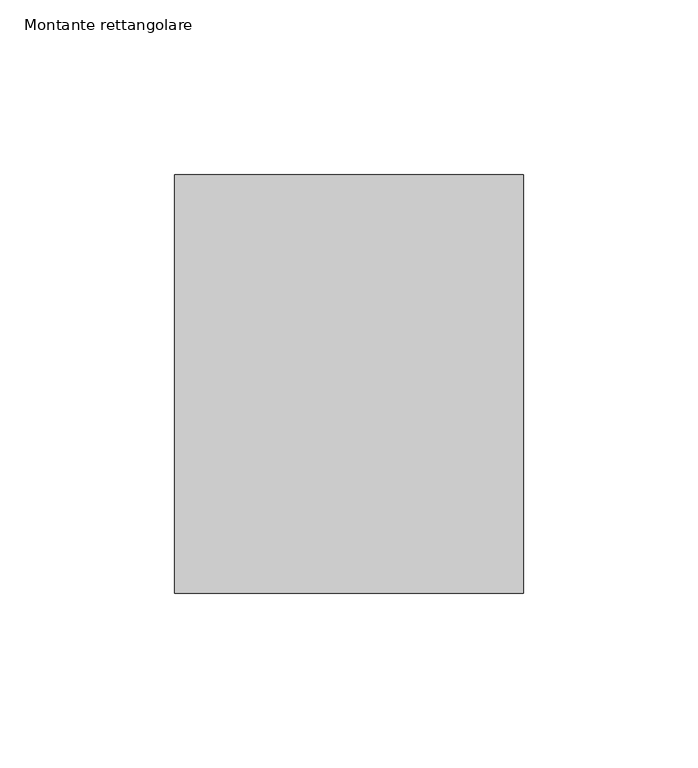
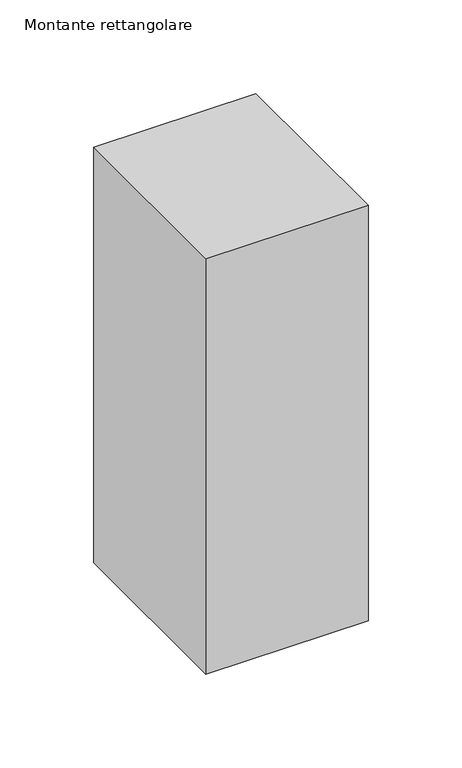
"""IFC4 building model written with IfcOpenShell, lengths in millimetres: member geometry, Montante rettangolare."""

from ifc_helpers import new_model, si_unit, frame, origin, place, context, project, spatial, polyline, outline, extrude, source, transform, mapped, element, save


def montante_rettangolare_cbf54d30(model_context):
    return source(origin(), model_context, "Body", "SweptSolid", [
        extrude(outline(polyline([(50.0, 60.0), (50.0, -60.0), (-50.0, -60.0), (-50.0, 60.0), (50.0, 60.0)])), frame((0.0, 0.0, -270.8038991), z_axis=(0.0, 0.0, 1.0), x_axis=(1.0, 0.0, 0.0)), (0.0, 0.0, 1.0), 270.8038991),
    ])


if __name__ == "__main__":
    model = new_model("IFC4")
    model_context = context("Model", 3, world=origin())
    ifc_project = project(units=[si_unit("LENGTHUNIT", "METRE", prefix="MILLI")], contexts=[model_context])
    site = spatial("IfcSite", under=ifc_project)
    building = spatial("IfcBuilding", under=site)
    placement = place(None, origin())
    montante_rettangolare_shape = montante_rettangolare_cbf54d30(model_context)
    element("IfcMember", 1, ObjectType="Montante rettangolare", at=placement, inside=building, context=model_context, shape_type="MappedRepresentation", body=[
        mapped(montante_rettangolare_shape, transform((0.0, 0.0, 0.0), x_axis=(1.0, 0.0, 0.0), y_axis=(0.0, 1.0, 0.0), z_axis=(0.0, 0.0, 1.0))),
    ])
    save(model, "model.ifc")
